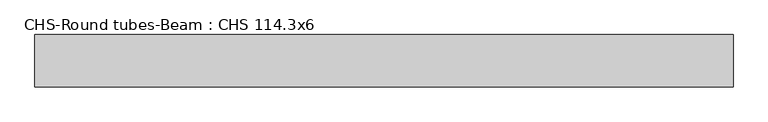
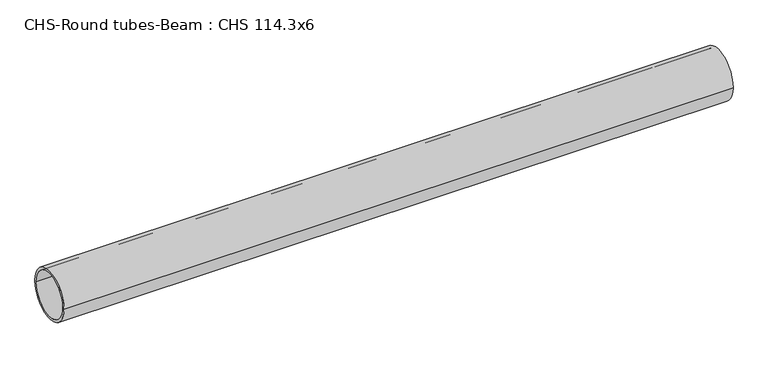
"""IFC4 building model written with IfcOpenShell, lengths in millimetres: beam geometry, CHS-Round tubes-Beam : CHS 114.3x6."""

from ifc_helpers import new_model, si_unit, point, frame, origin, origin_2d, place, context, project, spatial, circle_curve, trimmed, segment, composite_curve, outline, extrude, source, transform, mapped, element, save


def chs_round_tubes_beam_chs_114_3x6_678a17be(model_context):
    return source(origin(), model_context, "Body", "SweptSolid", [
        extrude(outline(composite_curve([segment(trimmed(circle_curve(origin_2d(), 57.15), [point((57.15, 0.0))], [point((-57.15, 0.0))], False, "CARTESIAN"), True, "CONTINUOUS"), segment(trimmed(circle_curve(origin_2d(), 57.15), [point((-57.15, 0.0))], [point((57.15, 0.0))], False, "CARTESIAN"), True, "CONTINUOUS")], self_intersect=False), holes=[composite_curve([segment(trimmed(circle_curve(origin_2d(), 51.15), [point((51.15, 0.0))], [point((-51.15, 0.0))], True, "CARTESIAN"), True, "CONTINUOUS"), segment(trimmed(circle_curve(origin_2d(), 51.15), [point((-51.15, 0.0))], [point((51.15, 0.0))], True, "CARTESIAN"), True, "CONTINUOUS")], self_intersect=False)]), frame((-736.4077365, 0.0, 0.0), z_axis=(1.0, 0.0, 0.0), x_axis=(0.0, 1.0, 0.0)), (0.0, 0.0, 1.0), 1517.9536225),
    ])


if __name__ == "__main__":
    model = new_model("IFC4")
    model_context = context("Model", 3, world=origin())
    ifc_project = project(units=[si_unit("LENGTHUNIT", "METRE", prefix="MILLI")], contexts=[model_context])
    site = spatial("IfcSite", under=ifc_project)
    building = spatial("IfcBuilding", under=site)
    placement = place(None, origin())
    chs_round_tubes_beam_chs_114_3x6_shape = chs_round_tubes_beam_chs_114_3x6_678a17be(model_context)
    element("IfcBeam", 1, ObjectType="CHS-Round tubes-Beam : CHS 114.3x6", at=placement, inside=building, context=model_context, shape_type="MappedRepresentation", body=[
        mapped(chs_round_tubes_beam_chs_114_3x6_shape, transform((0.0, 0.0, 0.0), x_axis=(1.0, 0.0, 0.0), y_axis=(0.0, 1.0, 0.0), z_axis=(0.0, 0.0, 1.0))),
    ])
    save(model, "model.ifc")
